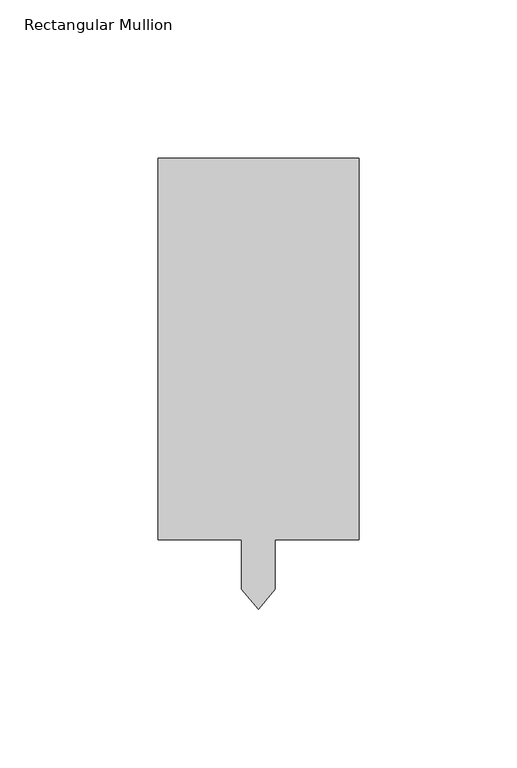
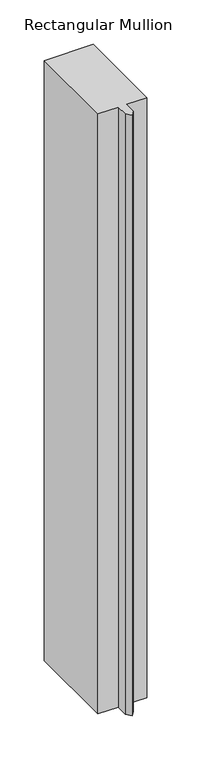
"""IFC4 building model written with IfcOpenShell, lengths in millimetres: member geometry, Rectangular Mullion."""

from ifc_helpers import new_model, si_unit, frame, origin, place, context, project, spatial, polyline, outline, extrude, source, transform, mapped, element, save


def rectangular_mullion_5ddfa6ab(model_context):
    return source(origin(), model_context, "Body", "SweptSolid", [
        extrude(outline(polyline([(31.75, 152.4), (31.75, 31.75), (5.3213, 31.75), (5.3213, 16.0811808), (0.0, 9.7395025), (-5.3213, 16.0811808), (-5.3213, 31.75), (-31.75, 31.75), (-31.75, 152.4), (31.75, 152.4)])), frame((0.0, 0.0, -825.4868072), z_axis=(0.0, 0.0, 1.0), x_axis=(1.0, 0.0, 0.0)), (0.0, 0.0, 1.0), 825.4868072),
    ])


if __name__ == "__main__":
    model = new_model("IFC4")
    model_context = context("Model", 3, world=origin())
    ifc_project = project(units=[si_unit("LENGTHUNIT", "METRE", prefix="MILLI")], contexts=[model_context])
    site = spatial("IfcSite", under=ifc_project)
    building = spatial("IfcBuilding", under=site)
    placement = place(None, origin())
    rectangular_mullion_shape = rectangular_mullion_5ddfa6ab(model_context)
    element("IfcMember", 1, ObjectType="Rectangular Mullion", at=placement, inside=building, context=model_context, shape_type="MappedRepresentation", body=[
        mapped(rectangular_mullion_shape, transform((0.0, 0.0, 0.0), x_axis=(1.0, 0.0, 0.0), y_axis=(0.0, 1.0, 0.0), z_axis=(0.0, 0.0, 1.0))),
    ])
    save(model, "model.ifc")
